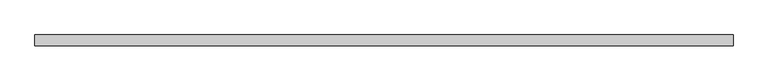
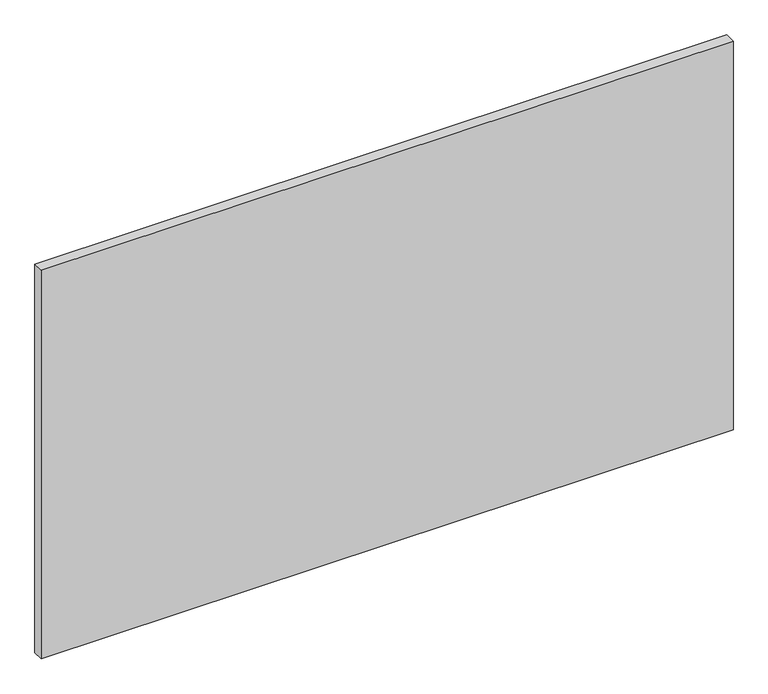
"""IFC4 building model written with IfcOpenShell, lengths in millimetres: plate geometry."""

from ifc_helpers import new_model, si_unit, origin, origin_with_axes, place, context, project, spatial, polyline, outline, extrude, source, transform, mapped, element, save


def plate_e679814e(model_context):
    return source(origin(), model_context, "Body", "SweptSolid", [
        extrude(outline(polyline([(800.0, 24.5), (-800.0, 24.5), (-800.0, 49.5), (800.0, 49.5), (800.0, 24.5)])), origin_with_axes(), (0.0, 0.0, 1.0), 950.0),
    ])


if __name__ == "__main__":
    model = new_model("IFC4")
    model_context = context("Model", 3, world=origin())
    ifc_project = project(units=[si_unit("LENGTHUNIT", "METRE", prefix="MILLI")], contexts=[model_context])
    site = spatial("IfcSite", under=ifc_project)
    building = spatial("IfcBuilding", under=site)
    placement = place(None, origin())
    plate_shape = plate_e679814e(model_context)
    element("IfcPlate", 1, at=placement, inside=building, context=model_context, shape_type="MappedRepresentation", body=[
        mapped(plate_shape, transform((0.0, 0.0, 0.0), x_axis=(1.0, 0.0, 0.0), y_axis=(0.0, 1.0, 0.0), z_axis=(0.0, 0.0, 1.0))),
    ])
    save(model, "model.ifc")
